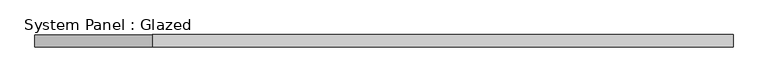
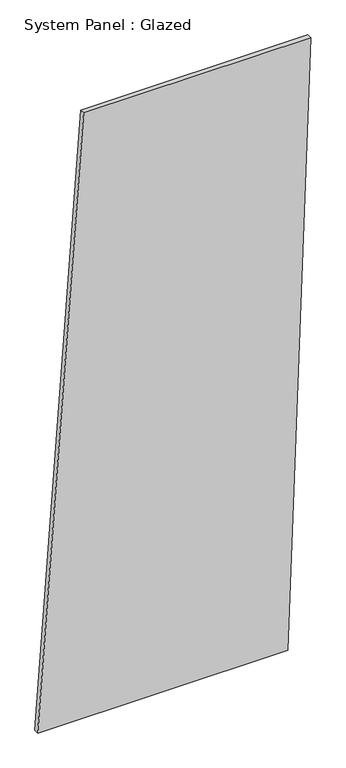
"""IFC4 building model written with IfcOpenShell, lengths in millimetres: plate geometry, System Panel : Glazed."""

from ifc_helpers import new_model, si_unit, frame, origin, place, context, project, spatial, polyline, outline, extrude, source, transform, mapped, element, save


def system_panel_glazed_9a905115(model_context):
    return source(origin(), model_context, "Body", "SweptSolid", [
        extrude(outline(polyline([(0.0, -711.6753348), (0.0, 592.1215851), (3334.6905248, 711.6753348), (3334.6905248, -472.5678354), (0.0, -711.6753348)])), frame((0.0, -49.5, 0.0), z_axis=(0.0, 1.0, 0.0), x_axis=(0.0, 0.0, 1.0)), (0.0, 0.0, 1.0), 25.0),
    ])


if __name__ == "__main__":
    model = new_model("IFC4")
    model_context = context("Model", 3, world=origin())
    ifc_project = project(units=[si_unit("LENGTHUNIT", "METRE", prefix="MILLI")], contexts=[model_context])
    site = spatial("IfcSite", under=ifc_project)
    building = spatial("IfcBuilding", under=site)
    placement = place(None, origin())
    system_panel_glazed_shape = system_panel_glazed_9a905115(model_context)
    element("IfcPlate", 1, ObjectType="System Panel : Glazed", at=placement, inside=building, context=model_context, shape_type="MappedRepresentation", body=[
        mapped(system_panel_glazed_shape, transform((0.0, 0.0, 0.0), x_axis=(1.0, 0.0, 0.0), y_axis=(0.0, 1.0, 0.0), z_axis=(0.0, 0.0, 1.0))),
    ])
    save(model, "model.ifc")
